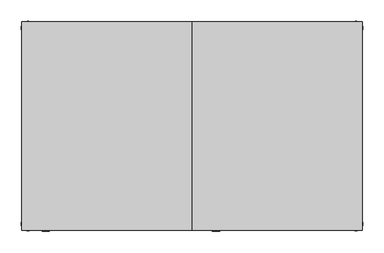
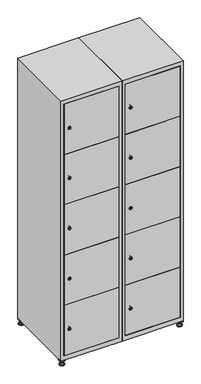
"""IFC4 building model written with IfcOpenShell, lengths in millimetres: furniture geometry."""

from ifc_helpers import new_model, si_unit, point, frame, frame_2d, origin, origin_with_axes, place, context, project, spatial, polyline, circle_curve, trimmed, segment, composite_curve, outline, extrude, faceted_brep, source, transform, mapped, element, save
from ifc_brep_helpers import plane_surface, revolved_surface, advanced_brep


def furniture_a9a9e612(model_context):
    return source(origin(), model_context, "Body", "SolidModel", [
        extrude(outline(polyline([(600.0, 245.0), (600.0, 215.0), (570.0, 215.0), (570.0, 245.0), (600.0, 245.0)]), holes=[polyline([(598.0, 243.0), (572.0, 243.0), (572.0, 217.0), (598.0, 217.0), (598.0, 243.0)])]), frame((0.0, 0.0, 28.5), z_axis=(0.0, 0.0, 1.0), x_axis=(1.0, 0.0, 0.0)), (0.0, 0.0, 1.0), 6.5),
        extrude(outline(polyline([(570.0, -245.0), (570.0, -215.0), (600.0, -215.0), (600.0, -245.0), (570.0, -245.0)]), holes=[polyline([(572.0, -243.0), (598.0, -243.0), (598.0, -217.0), (572.0, -217.0), (572.0, -243.0)])]), frame((0.0, 0.0, 28.5), z_axis=(0.0, 0.0, 1.0), x_axis=(1.0, 0.0, 0.0)), (0.0, 0.0, 1.0), 6.5),
        extrude(outline(polyline([(-170.0, 245.0), (-170.0, 215.0), (-200.0, 215.0), (-200.0, 245.0), (-170.0, 245.0)]), holes=[polyline([(-172.0, 243.0), (-198.0, 243.0), (-198.0, 217.0), (-172.0, 217.0), (-172.0, 243.0)])]), frame((0.0, 0.0, 28.5), z_axis=(0.0, 0.0, 1.0), x_axis=(1.0, 0.0, 0.0)), (0.0, 0.0, 1.0), 6.5),
        extrude(outline(polyline([(-170.0, -215.0), (-170.0, -245.0), (-200.0, -245.0), (-200.0, -215.0), (-170.0, -215.0)]), holes=[polyline([(-198.0, -243.0), (-172.0, -243.0), (-172.0, -217.0), (-198.0, -217.0), (-198.0, -243.0)])]), frame((0.0, 0.0, 28.5), z_axis=(0.0, 0.0, 1.0), x_axis=(1.0, 0.0, 0.0)), (0.0, 0.0, 1.0), 6.5),
        extrude(outline(composite_curve([segment(trimmed(circle_curve(frame_2d((-185.0, 230.0)), 5.0), [point((-180.0, 230.0))], [point((-190.0, 230.0))], False, "CARTESIAN"), True, "CONTINUOUS"), segment(trimmed(circle_curve(frame_2d((-185.0, 230.0)), 5.0), [point((-190.0, 230.0))], [point((-180.0, 230.0))], False, "CARTESIAN"), True, "CONTINUOUS")], self_intersect=False)), frame((0.0, 0.0, 19.6), z_axis=(0.0, 0.0, 1.0), x_axis=(1.0, 0.0, 0.0)), (0.0, 0.0, 1.0), 15.4),
        extrude(outline(composite_curve([segment(trimmed(circle_curve(frame_2d((-185.0, -230.0)), 5.0), [point((-180.0, -230.0))], [point((-190.0, -230.0))], False, "CARTESIAN"), True, "CONTINUOUS"), segment(trimmed(circle_curve(frame_2d((-185.0, -230.0)), 5.0), [point((-190.0, -230.0))], [point((-180.0, -230.0))], False, "CARTESIAN"), True, "CONTINUOUS")], self_intersect=False)), frame((0.0, 0.0, 19.6), z_axis=(0.0, 0.0, 1.0), x_axis=(1.0, 0.0, 0.0)), (0.0, 0.0, 1.0), 15.4),
        extrude(outline(composite_curve([segment(trimmed(circle_curve(frame_2d((585.0, 230.0)), 5.0), [point((590.0, 230.0))], [point((580.0, 230.0))], False, "CARTESIAN"), True, "CONTINUOUS"), segment(trimmed(circle_curve(frame_2d((585.0, 230.0)), 5.0), [point((580.0, 230.0))], [point((590.0, 230.0))], False, "CARTESIAN"), True, "CONTINUOUS")], self_intersect=False)), frame((0.0, 0.0, 19.6), z_axis=(0.0, 0.0, 1.0), x_axis=(1.0, 0.0, 0.0)), (0.0, 0.0, 1.0), 15.4),
        extrude(outline(polyline([(573.4529946, 230.0), (579.2264973, 240.0), (590.7735027, 240.0), (596.5470054, 230.0), (590.7735027, 220.0), (579.2264973, 220.0), (573.4529946, 230.0)])), frame((0.0, 0.0, 13.6), z_axis=(0.0, 0.0, 1.0), x_axis=(1.0, 0.0, 0.0)), (0.0, 0.0, 1.0), 6.0),
        extrude(outline(composite_curve([segment(trimmed(circle_curve(frame_2d((585.0, -230.0)), 5.0), [point((590.0, -230.0))], [point((580.0, -230.0))], False, "CARTESIAN"), True, "CONTINUOUS"), segment(trimmed(circle_curve(frame_2d((585.0, -230.0)), 5.0), [point((580.0, -230.0))], [point((590.0, -230.0))], False, "CARTESIAN"), True, "CONTINUOUS")], self_intersect=False)), frame((0.0, 0.0, 19.6), z_axis=(0.0, 0.0, 1.0), x_axis=(1.0, 0.0, 0.0)), (0.0, 0.0, 1.0), 15.4),
        extrude(outline(polyline([(573.4529946, -230.0), (579.2264973, -220.0), (590.7735027, -220.0), (596.5470054, -230.0), (590.7735027, -240.0), (579.2264973, -240.0), (573.4529946, -230.0)])), frame((0.0, 0.0, 13.6), z_axis=(0.0, 0.0, 1.0), x_axis=(1.0, 0.0, 0.0)), (0.0, 0.0, 1.0), 6.0),
        extrude(outline(composite_curve([segment(trimmed(circle_curve(frame_2d((585.0, 230.0)), 5.0), [point((590.0, 230.0))], [point((580.0, 230.0))], False, "CARTESIAN"), True, "CONTINUOUS"), segment(trimmed(circle_curve(frame_2d((585.0, 230.0)), 5.0), [point((580.0, 230.0))], [point((590.0, 230.0))], False, "CARTESIAN"), True, "CONTINUOUS")], self_intersect=False)), frame((0.0, 0.0, 12.1), z_axis=(0.0, 0.0, 1.0), x_axis=(1.0, 0.0, 0.0)), (0.0, 0.0, 1.0), 1.5),
        extrude(outline(composite_curve([segment(trimmed(circle_curve(frame_2d((585.0, -230.0)), 5.0), [point((590.0, -230.0))], [point((580.0, -230.0))], False, "CARTESIAN"), True, "CONTINUOUS"), segment(trimmed(circle_curve(frame_2d((585.0, -230.0)), 5.0), [point((580.0, -230.0))], [point((590.0, -230.0))], False, "CARTESIAN"), True, "CONTINUOUS")], self_intersect=False)), frame((0.0, 0.0, 12.1), z_axis=(0.0, 0.0, 1.0), x_axis=(1.0, 0.0, 0.0)), (0.0, 0.0, 1.0), 1.5),
        extrude(outline(polyline([(-196.5470054, 230.0), (-190.7735027, 240.0), (-179.2264973, 240.0), (-173.4529946, 230.0), (-179.2264973, 220.0), (-190.7735027, 220.0), (-196.5470054, 230.0)])), frame((0.0, 0.0, 13.6), z_axis=(0.0, 0.0, 1.0), x_axis=(1.0, 0.0, 0.0)), (0.0, 0.0, 1.0), 6.0),
        extrude(outline(polyline([(-196.5470054, -230.0), (-190.7735027, -220.0), (-179.2264973, -220.0), (-173.4529946, -230.0), (-179.2264973, -240.0), (-190.7735027, -240.0), (-196.5470054, -230.0)])), frame((0.0, 0.0, 13.6), z_axis=(0.0, 0.0, 1.0), x_axis=(1.0, 0.0, 0.0)), (0.0, 0.0, 1.0), 6.0),
        extrude(outline(composite_curve([segment(trimmed(circle_curve(frame_2d((-185.0, 230.0)), 5.0), [point((-185.0, 235.0))], [point((-185.0, 225.0))], False, "CARTESIAN"), True, "CONTINUOUS"), segment(trimmed(circle_curve(frame_2d((-185.0, 230.0)), 5.0), [point((-185.0, 225.0))], [point((-185.0, 235.0))], False, "CARTESIAN"), True, "CONTINUOUS")], self_intersect=False)), frame((0.0, 0.0, 12.1), z_axis=(0.0, 0.0, 1.0), x_axis=(1.0, 0.0, 0.0)), (0.0, 0.0, 1.0), 1.5),
        extrude(outline(composite_curve([segment(trimmed(circle_curve(frame_2d((-185.0, -230.0)), 5.0), [point((-180.0, -230.0))], [point((-190.0, -230.0))], False, "CARTESIAN"), True, "CONTINUOUS"), segment(trimmed(circle_curve(frame_2d((-185.0, -230.0)), 5.0), [point((-190.0, -230.0))], [point((-180.0, -230.0))], False, "CARTESIAN"), True, "CONTINUOUS")], self_intersect=False)), frame((0.0, 0.0, 12.1), z_axis=(0.0, 0.0, 1.0), x_axis=(1.0, 0.0, 0.0)), (0.0, 0.0, 1.0), 1.5),
        extrude(outline(composite_curve([segment(trimmed(circle_curve(frame_2d((585.0, 230.0)), 15.75), [point((600.75, 230.0))], [point((569.25, 230.0))], False, "CARTESIAN"), True, "CONTINUOUS"), segment(trimmed(circle_curve(frame_2d((585.0, 230.0)), 15.75), [point((569.25, 230.0))], [point((600.75, 230.0))], False, "CARTESIAN"), True, "CONTINUOUS")], self_intersect=False)), origin_with_axes(), (0.0, 0.0, 1.0), 5.1),
        extrude(outline(composite_curve([segment(trimmed(circle_curve(frame_2d((585.0, -230.0)), 15.75), [point((585.0, -214.25))], [point((585.0, -245.75))], False, "CARTESIAN"), True, "CONTINUOUS"), segment(trimmed(circle_curve(frame_2d((585.0, -230.0)), 15.75), [point((585.0, -245.75))], [point((585.0, -214.25))], False, "CARTESIAN"), True, "CONTINUOUS")], self_intersect=False)), origin_with_axes(), (0.0, 0.0, 1.0), 5.1),
        extrude(outline(composite_curve([segment(trimmed(circle_curve(frame_2d((-185.0, -230.0)), 15.75), [point((-169.25, -230.0))], [point((-200.75, -230.0))], False, "CARTESIAN"), True, "CONTINUOUS"), segment(trimmed(circle_curve(frame_2d((-185.0, -230.0)), 15.75), [point((-200.75, -230.0))], [point((-169.25, -230.0))], False, "CARTESIAN"), True, "CONTINUOUS")], self_intersect=False)), origin_with_axes(), (0.0, 0.0, 1.0), 5.1),
        extrude(outline(composite_curve([segment(trimmed(circle_curve(frame_2d((-185.0, 230.0)), 15.75), [point((-169.25, 230.0))], [point((-200.75, 230.0))], False, "CARTESIAN"), True, "CONTINUOUS"), segment(trimmed(circle_curve(frame_2d((-185.0, 230.0)), 15.75), [point((-200.75, 230.0))], [point((-169.25, 230.0))], False, "CARTESIAN"), True, "CONTINUOUS")], self_intersect=False)), origin_with_axes(), (0.0, 0.0, 1.0), 5.1),
        advanced_brep(
        [(-185.0, 245.75, 5.1), (-185.0, 214.25, 5.1), (-185.0, 239.5, 12.1), (-185.0, 220.5, 12.1)],
        [
            (0, 1, circle_curve(frame((-185.0, 230.0, 5.1), z_axis=(0.0, 0.0, -1.0), x_axis=(0.0, 1.0, 0.0)), 15.75)),
            (1, 0, circle_curve(frame((-185.0, 230.0, 5.1), z_axis=(0.0, 0.0, -1.0), x_axis=(0.0, -1.0, 0.0)), 15.75)),
            (2, 3, circle_curve(frame((-185.0, 230.0, 12.1), z_axis=(0.0, 0.0, 1.0), x_axis=(0.0, -1.0, 0.0)), 9.5)),
            (3, 2, circle_curve(frame((-185.0, 230.0, 12.1), z_axis=(0.0, 0.0, 1.0), x_axis=(0.0, 1.0, 0.0)), 9.5)),
            (3, 1),
            (0, 2),
        ],
        [
            plane_surface(frame((-185.0, 230.0, 5.1), z_axis=(0.0, 0.0, -1.0), x_axis=(1.0, 0.0, 0.0))),
            plane_surface(frame((-185.0, 230.0, 12.1), z_axis=(0.0, 0.0, 1.0), x_axis=(1.0, 0.0, 0.0))),
            revolved_surface(polyline([(-185.0, 220.5, 12.099999999999998), (-185.0, 214.25, 5.099999999999998)]), (-185.0, 230.0, 22.74), (0.0, 0.0, -1.0)),
            revolved_surface(polyline([(-185.0, 239.5, 12.099999999999998), (-185.0, 245.75, 5.099999999999998)]), (-185.0, 230.0, 22.74), (0.0, 0.0, -1.0)),
        ],
        [
            (0, [[1, 2]]),
            (1, [[3, 4]]),
            (2, [[-4, 5, -1, 6]]),
            (3, [[-3, -6, -2, -5]]),
        ],
    ),
        advanced_brep(
        [(585.0, 245.75, 5.1), (585.0, 214.25, 5.1), (585.0, 239.5, 12.1), (585.0, 220.5, 12.1)],
        [
            (0, 1, circle_curve(frame((585.0, 230.0, 5.1), z_axis=(0.0, 0.0, -1.0), x_axis=(0.0, 1.0, 0.0)), 15.75)),
            (1, 0, circle_curve(frame((585.0, 230.0, 5.1), z_axis=(0.0, 0.0, -1.0), x_axis=(0.0, -1.0, 0.0)), 15.75)),
            (2, 3, circle_curve(frame((585.0, 230.0, 12.1), z_axis=(0.0, 0.0, 1.0), x_axis=(0.0, -1.0, 0.0)), 9.5)),
            (3, 2, circle_curve(frame((585.0, 230.0, 12.1), z_axis=(0.0, 0.0, 1.0), x_axis=(0.0, 1.0, 0.0)), 9.5)),
            (3, 1),
            (0, 2),
        ],
        [
            plane_surface(frame((585.0, 230.0, 5.1), z_axis=(0.0, 0.0, -1.0), x_axis=(1.0, 0.0, 0.0))),
            plane_surface(frame((585.0, 230.0, 12.1), z_axis=(0.0, 0.0, 1.0), x_axis=(1.0, 0.0, 0.0))),
            revolved_surface(polyline([(585.0, 220.5, 12.099999999999998), (585.0, 214.25, 5.099999999999998)]), (585.0, 230.0, 22.74), (0.0, 0.0, -1.0)),
            revolved_surface(polyline([(585.0, 239.5, 12.099999999999998), (585.0, 245.75, 5.099999999999998)]), (585.0, 230.0, 22.74), (0.0, 0.0, -1.0)),
        ],
        [
            (0, [[1, 2]]),
            (1, [[3, 4]]),
            (2, [[-4, 5, -1, 6]]),
            (3, [[-3, -6, -2, -5]]),
        ],
    ),
        advanced_brep(
        [(594.5, -230.0, 12.1), (575.5, -230.0, 12.1), (600.75, -230.0, 5.1), (569.25, -230.0, 5.1)],
        [
            (0, 1, circle_curve(frame((585.0, -230.0, 12.1), z_axis=(0.0, 0.0, 1.0), x_axis=(1.0, 0.0, 0.0)), 9.5)),
            (1, 0, circle_curve(frame((585.0, -230.0, 12.1), z_axis=(0.0, 0.0, 1.0), x_axis=(-1.0, 0.0, 0.0)), 9.5)),
            (2, 3, circle_curve(frame((585.0, -230.0, 5.1), z_axis=(0.0, 0.0, -1.0), x_axis=(-1.0, 0.0, 0.0)), 15.75)),
            (3, 2, circle_curve(frame((585.0, -230.0, 5.1), z_axis=(0.0, 0.0, -1.0), x_axis=(1.0, 0.0, 0.0)), 15.75)),
            (3, 1),
            (0, 2),
        ],
        [
            plane_surface(frame((585.0, -230.0, 12.1), z_axis=(0.0, 0.0, 1.0), x_axis=(0.0, 1.0, 0.0))),
            plane_surface(frame((585.0, -230.0, 5.1), z_axis=(0.0, 0.0, -1.0), x_axis=(0.0, 1.0, 0.0))),
            revolved_surface(polyline([(594.5, -230.0, 12.099999999999998), (600.75, -230.0, 5.099999999999998)]), (585.0, -230.0, 22.74), (0.0, 0.0, -1.0)),
            revolved_surface(polyline([(575.5, -230.0, 12.099999999999998), (569.25, -230.0, 5.099999999999998)]), (585.0, -230.0, 22.74), (0.0, 0.0, -1.0)),
        ],
        [
            (0, [[1, 2]]),
            (1, [[3, 4]]),
            (2, [[-4, 5, -1, 6]]),
            (3, [[-3, -6, -2, -5]]),
        ],
    ),
        advanced_brep(
        [(-175.5, -230.0, 12.1), (-194.5, -230.0, 12.1), (-169.25, -230.0, 5.1), (-200.75, -230.0, 5.1)],
        [
            (0, 1, circle_curve(frame((-185.0, -230.0, 12.1), z_axis=(0.0, 0.0, 1.0), x_axis=(1.0, 0.0, 0.0)), 9.5)),
            (1, 0, circle_curve(frame((-185.0, -230.0, 12.1), z_axis=(0.0, 0.0, 1.0), x_axis=(-1.0, 0.0, 0.0)), 9.5)),
            (2, 3, circle_curve(frame((-185.0, -230.0, 5.1), z_axis=(0.0, 0.0, -1.0), x_axis=(-1.0, 0.0, 0.0)), 15.75)),
            (3, 2, circle_curve(frame((-185.0, -230.0, 5.1), z_axis=(0.0, 0.0, -1.0), x_axis=(1.0, 0.0, 0.0)), 15.75)),
            (3, 1),
            (0, 2),
        ],
        [
            plane_surface(frame((-185.0, -230.0, 12.1), z_axis=(0.0, 0.0, 1.0), x_axis=(0.0, 1.0, 0.0))),
            plane_surface(frame((-185.0, -230.0, 5.1), z_axis=(0.0, 0.0, -1.0), x_axis=(0.0, 1.0, 0.0))),
            revolved_surface(polyline([(-175.5, -230.0, 12.099999999999998), (-169.25, -230.0, 5.099999999999998)]), (-185.0, -230.0, 22.74), (0.0, 0.0, -1.0)),
            revolved_surface(polyline([(-194.5, -230.0, 12.099999999999998), (-200.75, -230.0, 5.099999999999998)]), (-185.0, -230.0, 22.74), (0.0, 0.0, -1.0)),
        ],
        [
            (0, [[1, 2]]),
            (1, [[3, 4]]),
            (2, [[-4, 5, -1, 6]]),
            (3, [[-3, -6, -2, -5]]),
        ],
    ),
        extrude(outline(composite_curve([segment(trimmed(circle_curve(frame_2d((239.96, 229.6010534)), 7.0), [point((246.96, 229.6010534))], [point((232.96, 229.6010534))], False, "CARTESIAN"), True, "CONTINUOUS"), segment(polyline([(232.96, 229.6010534), (232.96, 257.6010534)]), True, "CONTINUOUS"), segment(trimmed(circle_curve(frame_2d((239.96, 257.6010534)), 7.0), [point((232.96, 257.6010534))], [point((246.96, 257.6010534))], False, "CARTESIAN"), True, "CONTINUOUS"), segment(polyline([(246.96, 257.6010534), (246.96, 229.6010534)]), True, "CONTINUOUS")], self_intersect=False)), frame((0.0, -227.0, 0.0), z_axis=(0.0, 1.0, 0.0), x_axis=(0.0, 0.0, 1.0)), (0.0, 0.0, 1.0), 2.0),
        advanced_brep(
        [(264.9, -247.2, 239.96), (247.9, -247.2, 239.96), (251.4, -247.2, 238.71), (251.4, -247.2, 241.21), (261.4, -247.2, 241.21), (261.4, -247.2, 238.71), (266.9, -245.0, 239.96), (245.9, -245.0, 239.96), (251.4, -245.0, 241.21), (251.4, -245.0, 238.71), (261.4, -245.0, 238.71), (261.4, -245.0, 241.21)],
        [
            (0, 1, circle_curve(frame((256.4, -247.2, 239.96), z_axis=(0.0, -1.0, 0.0), x_axis=(1.0, 0.0, 0.0)), 8.5)),
            (1, 0, circle_curve(frame((256.4, -247.2, 239.96), z_axis=(0.0, -1.0, 0.0), x_axis=(-1.0, 0.0, 0.0)), 8.5)),
            (2, 3),
            (3, 4),
            (4, 5),
            (5, 2),
            (6, 7, circle_curve(frame((256.4, -245.0, 239.96), z_axis=(0.0, 1.0, 0.0), x_axis=(-1.0, 0.0, 0.0)), 10.5)),
            (7, 6, circle_curve(frame((256.4, -245.0, 239.96), z_axis=(0.0, 1.0, 0.0), x_axis=(1.0, 0.0, 0.0)), 10.5)),
            (8, 9),
            (9, 10),
            (10, 11),
            (11, 8),
            (0, 6),
            (7, 1),
            (8, 3),
            (2, 9),
            (11, 4),
            (10, 5),
        ],
        [
            plane_surface(frame((256.4, -247.2, 239.96), z_axis=(0.0, -1.0, 0.0), x_axis=(0.0, 0.0, 1.0))),
            plane_surface(frame((256.4, -245.0, 239.96), z_axis=(0.0, 1.0, 0.0), x_axis=(0.0, 0.0, 1.0))),
            revolved_surface(polyline([(264.9, -247.2, 239.96), (266.9, -245.0, 239.96)]), (256.4, -256.55, 239.96), (0.0, 1.0, 0.0)),
            revolved_surface(polyline([(247.89999999999998, -247.2, 239.96), (245.9, -245.0, 239.96)]), (256.4, -256.55, 239.96), (0.0, 1.0, 0.0)),
            plane_surface(frame((251.4, -245.0, 238.71), z_axis=(1.0, 0.0, 0.0), x_axis=(0.0, -1.0, 0.0))),
            plane_surface(frame((251.4, -245.0, 241.21), z_axis=(0.0, 0.0, -1.0), x_axis=(0.0, -1.0, 0.0))),
            plane_surface(frame((261.4, -245.0, 241.21), z_axis=(-1.0, 0.0, 0.0), x_axis=(0.0, -1.0, 0.0))),
            plane_surface(frame((261.4, -245.0, 238.71), z_axis=(0.0, 0.0, 1.0), x_axis=(0.0, -1.0, 0.0))),
        ],
        [
            (0, [[1, 2], [3, 4, 5, 6]]),
            (1, [[7, 8], [9, 10, 11, 12]]),
            (2, [[-1, 13, -8, 14]]),
            (3, [[-2, -14, -7, -13]]),
            (4, [[15, -3, 16, -9]]),
            (5, [[-15, -12, 17, -4]]),
            (6, [[-17, -11, 18, -5]]),
            (7, [[-16, -6, -18, -10]]),
        ],
    ),
        extrude(outline(composite_curve([segment(trimmed(circle_curve(frame_2d((587.48, 229.6010534)), 7.0), [point((594.48, 229.6010534))], [point((580.48, 229.6010534))], False, "CARTESIAN"), True, "CONTINUOUS"), segment(polyline([(580.48, 229.6010534), (580.48, 257.6010534)]), True, "CONTINUOUS"), segment(trimmed(circle_curve(frame_2d((587.48, 257.6010534)), 7.0), [point((580.48, 257.6010534))], [point((594.48, 257.6010534))], False, "CARTESIAN"), True, "CONTINUOUS"), segment(polyline([(594.48, 257.6010534), (594.48, 229.6010534)]), True, "CONTINUOUS")], self_intersect=False)), frame((0.0, -227.0, 0.0), z_axis=(0.0, 1.0, 0.0), x_axis=(0.0, 0.0, 1.0)), (0.0, 0.0, 1.0), 2.0),
        advanced_brep(
        [(264.9, -247.2, 587.48), (247.9, -247.2, 587.48), (251.4, -247.2, 586.23), (251.4, -247.2, 588.73), (261.4, -247.2, 588.73), (261.4, -247.2, 586.23), (266.9, -245.0, 587.48), (245.9, -245.0, 587.48), (251.4, -245.0, 588.73), (251.4, -245.0, 586.23), (261.4, -245.0, 586.23), (261.4, -245.0, 588.73)],
        [
            (0, 1, circle_curve(frame((256.4, -247.2, 587.48), z_axis=(0.0, -1.0, 0.0), x_axis=(1.0, 0.0, 0.0)), 8.5)),
            (1, 0, circle_curve(frame((256.4, -247.2, 587.48), z_axis=(0.0, -1.0, 0.0), x_axis=(-1.0, 0.0, 0.0)), 8.5)),
            (2, 3),
            (3, 4),
            (4, 5),
            (5, 2),
            (6, 7, circle_curve(frame((256.4, -245.0, 587.48), z_axis=(0.0, 1.0, 0.0), x_axis=(-1.0, 0.0, 0.0)), 10.5)),
            (7, 6, circle_curve(frame((256.4, -245.0, 587.48), z_axis=(0.0, 1.0, 0.0), x_axis=(1.0, 0.0, 0.0)), 10.5)),
            (8, 9),
            (9, 10),
            (10, 11),
            (11, 8),
            (0, 6),
            (7, 1),
            (8, 3),
            (2, 9),
            (11, 4),
            (10, 5),
        ],
        [
            plane_surface(frame((256.4, -247.2, 587.48), z_axis=(0.0, -1.0, 0.0), x_axis=(0.0, 0.0, 1.0))),
            plane_surface(frame((256.4, -245.0, 587.48), z_axis=(0.0, 1.0, 0.0), x_axis=(0.0, 0.0, 1.0))),
            revolved_surface(polyline([(264.9, -247.2, 587.48), (266.9, -245.0, 587.48)]), (256.4, -256.55, 587.48), (0.0, 1.0, 0.0)),
            revolved_surface(polyline([(247.89999999999998, -247.2, 587.48), (245.9, -245.0, 587.48)]), (256.4, -256.55, 587.48), (0.0, 1.0, 0.0)),
            plane_surface(frame((251.4, -245.0, 586.23), z_axis=(1.0, 0.0, 0.0), x_axis=(0.0, -1.0, 0.0))),
            plane_surface(frame((251.4, -245.0, 588.73), z_axis=(0.0, 0.0, -1.0), x_axis=(0.0, -1.0, 0.0))),
            plane_surface(frame((261.4, -245.0, 588.73), z_axis=(-1.0, 0.0, 0.0), x_axis=(0.0, -1.0, 0.0))),
            plane_surface(frame((261.4, -245.0, 586.23), z_axis=(0.0, 0.0, 1.0), x_axis=(0.0, -1.0, 0.0))),
        ],
        [
            (0, [[1, 2], [3, 4, 5, 6]]),
            (1, [[7, 8], [9, 10, 11, 12]]),
            (2, [[-1, 13, -8, 14]]),
            (3, [[-2, -14, -7, -13]]),
            (4, [[15, -3, 16, -9]]),
            (5, [[-15, -12, 17, -4]]),
            (6, [[-17, -11, 18, -5]]),
            (7, [[-16, -6, -18, -10]]),
        ],
    ),
        extrude(outline(composite_curve([segment(trimmed(circle_curve(frame_2d((935.0, 229.6010534)), 7.0), [point((942.0, 229.6010534))], [point((928.0, 229.6010534))], False, "CARTESIAN"), True, "CONTINUOUS"), segment(polyline([(928.0, 229.6010534), (928.0, 257.6010534)]), True, "CONTINUOUS"), segment(trimmed(circle_curve(frame_2d((935.0, 257.6010534)), 7.0), [point((928.0, 257.6010534))], [point((942.0, 257.6010534))], False, "CARTESIAN"), True, "CONTINUOUS"), segment(polyline([(942.0, 257.6010534), (942.0, 229.6010534)]), True, "CONTINUOUS")], self_intersect=False)), frame((0.0, -227.0, 0.0), z_axis=(0.0, 1.0, 0.0), x_axis=(0.0, 0.0, 1.0)), (0.0, 0.0, 1.0), 2.0),
        advanced_brep(
        [(264.9, -247.2, 935.0), (247.9, -247.2, 935.0), (251.4, -247.2, 933.75), (251.4, -247.2, 936.25), (261.4, -247.2, 936.25), (261.4, -247.2, 933.75), (266.9, -245.0, 935.0), (245.9, -245.0, 935.0), (251.4, -245.0, 936.25), (251.4, -245.0, 933.75), (261.4, -245.0, 933.75), (261.4, -245.0, 936.25)],
        [
            (0, 1, circle_curve(frame((256.4, -247.2, 935.0), z_axis=(0.0, -1.0, 0.0), x_axis=(1.0, 0.0, 0.0)), 8.5)),
            (1, 0, circle_curve(frame((256.4, -247.2, 935.0), z_axis=(0.0, -1.0, 0.0), x_axis=(-1.0, 0.0, 0.0)), 8.5)),
            (2, 3),
            (3, 4),
            (4, 5),
            (5, 2),
            (6, 7, circle_curve(frame((256.4, -245.0, 935.0), z_axis=(0.0, 1.0, 0.0), x_axis=(-1.0, 0.0, 0.0)), 10.5)),
            (7, 6, circle_curve(frame((256.4, -245.0, 935.0), z_axis=(0.0, 1.0, 0.0), x_axis=(1.0, 0.0, 0.0)), 10.5)),
            (8, 9),
            (9, 10),
            (10, 11),
            (11, 8),
            (0, 6),
            (7, 1),
            (8, 3),
            (2, 9),
            (11, 4),
            (10, 5),
        ],
        [
            plane_surface(frame((256.4, -247.2, 935.0), z_axis=(0.0, -1.0, 0.0), x_axis=(0.0, 0.0, 1.0))),
            plane_surface(frame((256.4, -245.0, 935.0), z_axis=(0.0, 1.0, 0.0), x_axis=(0.0, 0.0, 1.0))),
            revolved_surface(polyline([(264.9, -247.2, 935.0), (266.9, -245.0, 935.0)]), (256.4, -256.55, 935.0), (0.0, 1.0, 0.0)),
            revolved_surface(polyline([(247.89999999999998, -247.2, 935.0), (245.9, -245.0, 935.0)]), (256.4, -256.55, 935.0), (0.0, 1.0, 0.0)),
            plane_surface(frame((251.4, -245.0, 933.75), z_axis=(1.0, 0.0, 0.0), x_axis=(0.0, -1.0, 0.0))),
            plane_surface(frame((251.4, -245.0, 936.25), z_axis=(0.0, 0.0, -1.0), x_axis=(0.0, -1.0, 0.0))),
            plane_surface(frame((261.4, -245.0, 936.25), z_axis=(-1.0, 0.0, 0.0), x_axis=(0.0, -1.0, 0.0))),
            plane_surface(frame((261.4, -245.0, 933.75), z_axis=(0.0, 0.0, 1.0), x_axis=(0.0, -1.0, 0.0))),
        ],
        [
            (0, [[1, 2], [3, 4, 5, 6]]),
            (1, [[7, 8], [9, 10, 11, 12]]),
            (2, [[-1, 13, -8, 14]]),
            (3, [[-2, -14, -7, -13]]),
            (4, [[15, -3, 16, -9]]),
            (5, [[-15, -12, 17, -4]]),
            (6, [[-17, -11, 18, -5]]),
            (7, [[-16, -6, -18, -10]]),
        ],
    ),
        extrude(outline(composite_curve([segment(trimmed(circle_curve(frame_2d((1282.52, 229.6010534)), 7.0), [point((1289.52, 229.6010534))], [point((1275.52, 229.6010534))], False, "CARTESIAN"), True, "CONTINUOUS"), segment(polyline([(1275.52, 229.6010534), (1275.52, 257.6010534)]), True, "CONTINUOUS"), segment(trimmed(circle_curve(frame_2d((1282.52, 257.6010534)), 7.0), [point((1275.52, 257.6010534))], [point((1289.52, 257.6010534))], False, "CARTESIAN"), True, "CONTINUOUS"), segment(polyline([(1289.52, 257.6010534), (1289.52, 229.6010534)]), True, "CONTINUOUS")], self_intersect=False)), frame((0.0, -227.0, 0.0), z_axis=(0.0, 1.0, 0.0), x_axis=(0.0, 0.0, 1.0)), (0.0, 0.0, 1.0), 2.0),
        advanced_brep(
        [(264.9, -247.2, 1282.52), (247.9, -247.2, 1282.52), (251.4, -247.2, 1281.27), (251.4, -247.2, 1283.77), (261.4, -247.2, 1283.77), (261.4, -247.2, 1281.27), (266.9, -245.0, 1282.52), (245.9, -245.0, 1282.52), (251.4, -245.0, 1283.77), (251.4, -245.0, 1281.27), (261.4, -245.0, 1281.27), (261.4, -245.0, 1283.77)],
        [
            (0, 1, circle_curve(frame((256.4, -247.2, 1282.52), z_axis=(0.0, -1.0, 0.0), x_axis=(1.0, 0.0, 0.0)), 8.5)),
            (1, 0, circle_curve(frame((256.4, -247.2, 1282.52), z_axis=(0.0, -1.0, 0.0), x_axis=(-1.0, 0.0, 0.0)), 8.5)),
            (2, 3),
            (3, 4),
            (4, 5),
            (5, 2),
            (6, 7, circle_curve(frame((256.4, -245.0, 1282.52), z_axis=(0.0, 1.0, 0.0), x_axis=(-1.0, 0.0, 0.0)), 10.5)),
            (7, 6, circle_curve(frame((256.4, -245.0, 1282.52), z_axis=(0.0, 1.0, 0.0), x_axis=(1.0, 0.0, 0.0)), 10.5)),
            (8, 9),
            (9, 10),
            (10, 11),
            (11, 8),
            (0, 6),
            (7, 1),
            (8, 3),
            (2, 9),
            (11, 4),
            (10, 5),
        ],
        [
            plane_surface(frame((256.4, -247.2, 1282.52), z_axis=(0.0, -1.0, 0.0), x_axis=(0.0, 0.0, 1.0))),
            plane_surface(frame((256.4, -245.0, 1282.52), z_axis=(0.0, 1.0, 0.0), x_axis=(0.0, 0.0, 1.0))),
            revolved_surface(polyline([(264.9, -247.2, 1282.52), (266.9, -245.0, 1282.52)]), (256.4, -256.55, 1282.52), (0.0, 1.0, 0.0)),
            revolved_surface(polyline([(247.89999999999998, -247.2, 1282.52), (245.9, -245.0, 1282.52)]), (256.4, -256.55, 1282.52), (0.0, 1.0, 0.0)),
            plane_surface(frame((251.4, -245.0, 1281.27), z_axis=(1.0, 0.0, 0.0), x_axis=(0.0, -1.0, 0.0))),
            plane_surface(frame((251.4, -245.0, 1283.77), z_axis=(0.0, 0.0, -1.0), x_axis=(0.0, -1.0, 0.0))),
            plane_surface(frame((261.4, -245.0, 1283.77), z_axis=(-1.0, 0.0, 0.0), x_axis=(0.0, -1.0, 0.0))),
            plane_surface(frame((261.4, -245.0, 1281.27), z_axis=(0.0, 0.0, 1.0), x_axis=(0.0, -1.0, 0.0))),
        ],
        [
            (0, [[1, 2], [3, 4, 5, 6]]),
            (1, [[7, 8], [9, 10, 11, 12]]),
            (2, [[-1, 13, -8, 14]]),
            (3, [[-2, -14, -7, -13]]),
            (4, [[15, -3, 16, -9]]),
            (5, [[-15, -12, 17, -4]]),
            (6, [[-17, -11, 18, -5]]),
            (7, [[-16, -6, -18, -10]]),
        ],
    ),
        extrude(outline(composite_curve([segment(trimmed(circle_curve(frame_2d((1630.04, 229.6010534)), 7.0), [point((1637.04, 229.6010534))], [point((1623.04, 229.6010534))], False, "CARTESIAN"), True, "CONTINUOUS"), segment(polyline([(1623.04, 229.6010534), (1623.04, 257.6010534)]), True, "CONTINUOUS"), segment(trimmed(circle_curve(frame_2d((1630.04, 257.6010534)), 7.0), [point((1623.04, 257.6010534))], [point((1637.04, 257.6010534))], False, "CARTESIAN"), True, "CONTINUOUS"), segment(polyline([(1637.04, 257.6010534), (1637.04, 229.6010534)]), True, "CONTINUOUS")], self_intersect=False)), frame((0.0, -227.0, 0.0), z_axis=(0.0, 1.0, 0.0), x_axis=(0.0, 0.0, 1.0)), (0.0, 0.0, 1.0), 2.0),
        advanced_brep(
        [(264.9, -247.2, 1630.04), (247.9, -247.2, 1630.04), (251.4, -247.2, 1628.79), (251.4, -247.2, 1631.29), (261.4, -247.2, 1631.29), (261.4, -247.2, 1628.79), (266.9, -245.0, 1630.04), (245.9, -245.0, 1630.04), (251.4, -245.0, 1631.29), (251.4, -245.0, 1628.79), (261.4, -245.0, 1628.79), (261.4, -245.0, 1631.29)],
        [
            (0, 1, circle_curve(frame((256.4, -247.2, 1630.04), z_axis=(0.0, -1.0, 0.0), x_axis=(1.0, 0.0, 0.0)), 8.5)),
            (1, 0, circle_curve(frame((256.4, -247.2, 1630.04), z_axis=(0.0, -1.0, 0.0), x_axis=(-1.0, 0.0, 0.0)), 8.5)),
            (2, 3),
            (3, 4),
            (4, 5),
            (5, 2),
            (6, 7, circle_curve(frame((256.4, -245.0, 1630.04), z_axis=(0.0, 1.0, 0.0), x_axis=(-1.0, 0.0, 0.0)), 10.5)),
            (7, 6, circle_curve(frame((256.4, -245.0, 1630.04), z_axis=(0.0, 1.0, 0.0), x_axis=(1.0, 0.0, 0.0)), 10.5)),
            (8, 9),
            (9, 10),
            (10, 11),
            (11, 8),
            (0, 6),
            (7, 1),
            (8, 3),
            (2, 9),
            (11, 4),
            (10, 5),
        ],
        [
            plane_surface(frame((256.4, -247.2, 1630.04), z_axis=(0.0, -1.0, 0.0), x_axis=(0.0, 0.0, 1.0))),
            plane_surface(frame((256.4, -245.0, 1630.04), z_axis=(0.0, 1.0, 0.0), x_axis=(0.0, 0.0, 1.0))),
            revolved_surface(polyline([(264.9, -247.2, 1630.04), (266.9, -245.0, 1630.04)]), (256.4, -256.55, 1630.04), (0.0, 1.0, 0.0)),
            revolved_surface(polyline([(247.89999999999998, -247.2, 1630.04), (245.9, -245.0, 1630.04)]), (256.4, -256.55, 1630.04), (0.0, 1.0, 0.0)),
            plane_surface(frame((251.4, -245.0, 1628.79), z_axis=(1.0, 0.0, 0.0), x_axis=(0.0, -1.0, 0.0))),
            plane_surface(frame((251.4, -245.0, 1631.29), z_axis=(0.0, 0.0, -1.0), x_axis=(0.0, -1.0, 0.0))),
            plane_surface(frame((261.4, -245.0, 1631.29), z_axis=(-1.0, 0.0, 0.0), x_axis=(0.0, -1.0, 0.0))),
            plane_surface(frame((261.4, -245.0, 1628.79), z_axis=(0.0, 0.0, 1.0), x_axis=(0.0, -1.0, 0.0))),
        ],
        [
            (0, [[1, 2], [3, 4, 5, 6]]),
            (1, [[7, 8], [9, 10, 11, 12]]),
            (2, [[-1, 13, -8, 14]]),
            (3, [[-2, -14, -7, -13]]),
            (4, [[15, -3, 16, -9]]),
            (5, [[-15, -12, 17, -4]]),
            (6, [[-17, -11, 18, -5]]),
            (7, [[-16, -6, -18, -10]]),
        ],
    ),
        extrude(outline(polyline([(578.6, -227.0), (578.6, -245.0), (221.4, -245.0), (221.4, -227.0), (578.6, -227.0)])), frame((0.0, 0.0, 760.74), z_axis=(0.0, 0.0, 1.0), x_axis=(1.0, 0.0, 0.0)), (0.0, 0.0, 1.0), 348.52),
        extrude(outline(polyline([(578.6, -227.0), (578.6, -245.0), (221.4, -245.0), (221.4, -227.0), (578.6, -227.0)])), frame((0.0, 0.0, 413.22), z_axis=(0.0, 0.0, 1.0), x_axis=(1.0, 0.0, 0.0)), (0.0, 0.0, 1.0), 348.52),
        extrude(outline(polyline([(578.6, -227.0), (578.6, -245.0), (221.4, -245.0), (221.4, -227.0), (578.6, -227.0)])), frame((0.0, 0.0, 1108.26), z_axis=(0.0, 0.0, 1.0), x_axis=(1.0, 0.0, 0.0)), (0.0, 0.0, 1.0), 347.52),
        extrude(outline(polyline([(221.4, -245.0), (221.4, -227.0), (578.6, -227.0), (578.6, -245.0), (221.4, -245.0)])), frame((0.0, 0.0, 1456.78), z_axis=(0.0, 0.0, 1.0), x_axis=(1.0, 0.0, 0.0)), (0.0, 0.0, 1.0), 347.02),
        extrude(outline(polyline([(578.6, -227.0), (578.6, -245.0), (221.4, -245.0), (221.4, -227.0), (578.6, -227.0)])), frame((0.0, 0.0, 66.2), z_axis=(0.0, 0.0, 1.0), x_axis=(1.0, 0.0, 0.0)), (0.0, 0.0, 1.0), 348.02),
        extrude(outline(polyline([(579.6, 242.0), (579.6, -227.0), (220.4, -227.0), (220.4, 242.0), (579.6, 242.0)])), frame((0.0, 0.0, 1446.68), z_axis=(0.0, 0.0, 1.0), x_axis=(1.0, 0.0, 0.0)), (0.0, 0.0, 1.0), 20.4),
        extrude(outline(polyline([(579.6, 242.0), (579.6, -227.0), (220.4, -227.0), (220.4, 242.0), (579.6, 242.0)])), frame((0.0, 0.0, 1098.76), z_axis=(0.0, 0.0, 1.0), x_axis=(1.0, 0.0, 0.0)), (0.0, 0.0, 1.0), 20.4),
        extrude(outline(polyline([(579.6, 242.0), (579.6, -227.0), (220.4, -227.0), (220.4, 242.0), (579.6, 242.0)])), frame((0.0, 0.0, 750.84), z_axis=(0.0, 0.0, 1.0), x_axis=(1.0, 0.0, 0.0)), (0.0, 0.0, 1.0), 20.4),
        extrude(outline(polyline([(220.4, 242.0), (579.6, 242.0), (579.6, -227.0), (220.4, -227.0), (220.4, 242.0)])), frame((0.0, 0.0, 402.92), z_axis=(0.0, 0.0, 1.0), x_axis=(1.0, 0.0, 0.0)), (0.0, 0.0, 1.0), 20.4),
        faceted_brep([(600.0, -245.0, 35.0), (600.0, -245.0, 1835.0), (200.0, -245.0, 1835.0), (200.0, -245.0, 35.0), (579.6, -245.0, 1804.8), (579.6, -245.0, 65.2), (220.4, -245.0, 65.2), (220.4, -245.0, 1804.8), (600.0, 245.0, 35.0), (200.0, 245.0, 35.0), (600.0, 245.0, 1835.0), (200.0, 245.0, 1835.0), (579.6, 242.0, 1804.8), (579.6, 242.0, 65.2), (200.0, 245.0, 1804.8), (220.4, 242.0, 1804.8), (220.4, 242.0, 65.2)], [[[0, 1, 2, 3], [4, 5, 6, 7]], [[8, 0, 3, 9]], [[1, 0, 8, 10]], [[1, 10, 11, 2]], [[4, 12, 13, 5]], [[9, 3, 2, 11, 14]], [[10, 8, 9, 14, 11]], [[12, 15, 16, 13]], [[15, 7, 6, 16]], [[4, 7, 15, 12]], [[6, 5, 13, 16]]]),
        extrude(outline(composite_curve([segment(trimmed(circle_curve(frame_2d((239.96, -170.3989466)), 7.0), [point((246.96, -170.3989466))], [point((232.96, -170.3989466))], False, "CARTESIAN"), True, "CONTINUOUS"), segment(polyline([(232.96, -170.3989466), (232.96, -142.3989466)]), True, "CONTINUOUS"), segment(trimmed(circle_curve(frame_2d((239.96, -142.3989466)), 7.0), [point((232.96, -142.3989466))], [point((246.96, -142.3989466))], False, "CARTESIAN"), True, "CONTINUOUS"), segment(polyline([(246.96, -142.3989466), (246.96, -170.3989466)]), True, "CONTINUOUS")], self_intersect=False)), frame((0.0, -227.0, 0.0), z_axis=(0.0, 1.0, 0.0), x_axis=(0.0, 0.0, 1.0)), (0.0, 0.0, 1.0), 2.0),
        advanced_brep(
        [(-135.1, -247.2, 239.96), (-152.1, -247.2, 239.96), (-148.6, -247.2, 238.71), (-148.6, -247.2, 241.21), (-138.6, -247.2, 241.21), (-138.6, -247.2, 238.71), (-133.1, -245.0, 239.96), (-154.1, -245.0, 239.96), (-148.6, -245.0, 241.21), (-148.6, -245.0, 238.71), (-138.6, -245.0, 238.71), (-138.6, -245.0, 241.21)],
        [
            (0, 1, circle_curve(frame((-143.6, -247.2, 239.96), z_axis=(0.0, -1.0, 0.0), x_axis=(1.0, 0.0, 0.0)), 8.5)),
            (1, 0, circle_curve(frame((-143.6, -247.2, 239.96), z_axis=(0.0, -1.0, 0.0), x_axis=(-1.0, 0.0, 0.0)), 8.5)),
            (2, 3),
            (3, 4),
            (4, 5),
            (5, 2),
            (6, 7, circle_curve(frame((-143.6, -245.0, 239.96), z_axis=(0.0, 1.0, 0.0), x_axis=(-1.0, 0.0, 0.0)), 10.5)),
            (7, 6, circle_curve(frame((-143.6, -245.0, 239.96), z_axis=(0.0, 1.0, 0.0), x_axis=(1.0, 0.0, 0.0)), 10.5)),
            (8, 9),
            (9, 10),
            (10, 11),
            (11, 8),
            (0, 6),
            (7, 1),
            (8, 3),
            (2, 9),
            (11, 4),
            (10, 5),
        ],
        [
            plane_surface(frame((-143.6, -247.2, 239.96), z_axis=(0.0, -1.0, 0.0), x_axis=(0.0, 0.0, 1.0))),
            plane_surface(frame((-143.6, -245.0, 239.96), z_axis=(0.0, 1.0, 0.0), x_axis=(0.0, 0.0, 1.0))),
            revolved_surface(polyline([(-135.1, -247.2, 239.96), (-133.1, -245.0, 239.96)]), (-143.6, -256.55, 239.96), (0.0, 1.0, 0.0)),
            revolved_surface(polyline([(-152.1, -247.2, 239.96), (-154.1, -245.0, 239.96)]), (-143.6, -256.55, 239.96), (0.0, 1.0, 0.0)),
            plane_surface(frame((-148.6, -245.0, 238.71), z_axis=(1.0, 0.0, 0.0), x_axis=(0.0, -1.0, 0.0))),
            plane_surface(frame((-148.6, -245.0, 241.21), z_axis=(0.0, 0.0, -1.0), x_axis=(0.0, -1.0, 0.0))),
            plane_surface(frame((-138.6, -245.0, 241.21), z_axis=(-1.0, 0.0, 0.0), x_axis=(0.0, -1.0, 0.0))),
            plane_surface(frame((-138.6, -245.0, 238.71), z_axis=(0.0, 0.0, 1.0), x_axis=(0.0, -1.0, 0.0))),
        ],
        [
            (0, [[1, 2], [3, 4, 5, 6]]),
            (1, [[7, 8], [9, 10, 11, 12]]),
            (2, [[-1, 13, -8, 14]]),
            (3, [[-2, -14, -7, -13]]),
            (4, [[15, -3, 16, -9]]),
            (5, [[-15, -12, 17, -4]]),
            (6, [[-17, -11, 18, -5]]),
            (7, [[-16, -6, -18, -10]]),
        ],
    ),
        extrude(outline(composite_curve([segment(trimmed(circle_curve(frame_2d((587.48, -170.3989466)), 7.0), [point((594.48, -170.3989466))], [point((580.48, -170.3989466))], False, "CARTESIAN"), True, "CONTINUOUS"), segment(polyline([(580.48, -170.3989466), (580.48, -142.3989466)]), True, "CONTINUOUS"), segment(trimmed(circle_curve(frame_2d((587.48, -142.3989466)), 7.0), [point((580.48, -142.3989466))], [point((594.48, -142.3989466))], False, "CARTESIAN"), True, "CONTINUOUS"), segment(polyline([(594.48, -142.3989466), (594.48, -170.3989466)]), True, "CONTINUOUS")], self_intersect=False)), frame((0.0, -227.0, 0.0), z_axis=(0.0, 1.0, 0.0), x_axis=(0.0, 0.0, 1.0)), (0.0, 0.0, 1.0), 2.0),
        advanced_brep(
        [(-135.1, -247.2, 587.48), (-152.1, -247.2, 587.48), (-148.6, -247.2, 586.23), (-148.6, -247.2, 588.73), (-138.6, -247.2, 588.73), (-138.6, -247.2, 586.23), (-133.1, -245.0, 587.48), (-154.1, -245.0, 587.48), (-148.6, -245.0, 588.73), (-148.6, -245.0, 586.23), (-138.6, -245.0, 586.23), (-138.6, -245.0, 588.73)],
        [
            (0, 1, circle_curve(frame((-143.6, -247.2, 587.48), z_axis=(0.0, -1.0, 0.0), x_axis=(1.0, 0.0, 0.0)), 8.5)),
            (1, 0, circle_curve(frame((-143.6, -247.2, 587.48), z_axis=(0.0, -1.0, 0.0), x_axis=(-1.0, 0.0, 0.0)), 8.5)),
            (2, 3),
            (3, 4),
            (4, 5),
            (5, 2),
            (6, 7, circle_curve(frame((-143.6, -245.0, 587.48), z_axis=(0.0, 1.0, 0.0), x_axis=(-1.0, 0.0, 0.0)), 10.5)),
            (7, 6, circle_curve(frame((-143.6, -245.0, 587.48), z_axis=(0.0, 1.0, 0.0), x_axis=(1.0, 0.0, 0.0)), 10.5)),
            (8, 9),
            (9, 10),
            (10, 11),
            (11, 8),
            (0, 6),
            (7, 1),
            (8, 3),
            (2, 9),
            (11, 4),
            (10, 5),
        ],
        [
            plane_surface(frame((-143.6, -247.2, 587.48), z_axis=(0.0, -1.0, 0.0), x_axis=(0.0, 0.0, 1.0))),
            plane_surface(frame((-143.6, -245.0, 587.48), z_axis=(0.0, 1.0, 0.0), x_axis=(0.0, 0.0, 1.0))),
            revolved_surface(polyline([(-135.1, -247.2, 587.48), (-133.1, -245.0, 587.48)]), (-143.6, -256.55, 587.48), (0.0, 1.0, 0.0)),
            revolved_surface(polyline([(-152.1, -247.2, 587.48), (-154.1, -245.0, 587.48)]), (-143.6, -256.55, 587.48), (0.0, 1.0, 0.0)),
            plane_surface(frame((-148.6, -245.0, 586.23), z_axis=(1.0, 0.0, 0.0), x_axis=(0.0, -1.0, 0.0))),
            plane_surface(frame((-148.6, -245.0, 588.73), z_axis=(0.0, 0.0, -1.0), x_axis=(0.0, -1.0, 0.0))),
            plane_surface(frame((-138.6, -245.0, 588.73), z_axis=(-1.0, 0.0, 0.0), x_axis=(0.0, -1.0, 0.0))),
            plane_surface(frame((-138.6, -245.0, 586.23), z_axis=(0.0, 0.0, 1.0), x_axis=(0.0, -1.0, 0.0))),
        ],
        [
            (0, [[1, 2], [3, 4, 5, 6]]),
            (1, [[7, 8], [9, 10, 11, 12]]),
            (2, [[-1, 13, -8, 14]]),
            (3, [[-2, -14, -7, -13]]),
            (4, [[15, -3, 16, -9]]),
            (5, [[-15, -12, 17, -4]]),
            (6, [[-17, -11, 18, -5]]),
            (7, [[-16, -6, -18, -10]]),
        ],
    ),
        extrude(outline(composite_curve([segment(trimmed(circle_curve(frame_2d((935.0, -170.3989466)), 7.0), [point((942.0, -170.3989466))], [point((928.0, -170.3989466))], False, "CARTESIAN"), True, "CONTINUOUS"), segment(polyline([(928.0, -170.3989466), (928.0, -142.3989466)]), True, "CONTINUOUS"), segment(trimmed(circle_curve(frame_2d((935.0, -142.3989466)), 7.0), [point((928.0, -142.3989466))], [point((942.0, -142.3989466))], False, "CARTESIAN"), True, "CONTINUOUS"), segment(polyline([(942.0, -142.3989466), (942.0, -170.3989466)]), True, "CONTINUOUS")], self_intersect=False)), frame((0.0, -227.0, 0.0), z_axis=(0.0, 1.0, 0.0), x_axis=(0.0, 0.0, 1.0)), (0.0, 0.0, 1.0), 2.0),
        advanced_brep(
        [(-135.1, -247.2, 935.0), (-152.1, -247.2, 935.0), (-148.6, -247.2, 933.75), (-148.6, -247.2, 936.25), (-138.6, -247.2, 936.25), (-138.6, -247.2, 933.75), (-133.1, -245.0, 935.0), (-154.1, -245.0, 935.0), (-148.6, -245.0, 936.25), (-148.6, -245.0, 933.75), (-138.6, -245.0, 933.75), (-138.6, -245.0, 936.25)],
        [
            (0, 1, circle_curve(frame((-143.6, -247.2, 935.0), z_axis=(0.0, -1.0, 0.0), x_axis=(1.0, 0.0, 0.0)), 8.5)),
            (1, 0, circle_curve(frame((-143.6, -247.2, 935.0), z_axis=(0.0, -1.0, 0.0), x_axis=(-1.0, 0.0, 0.0)), 8.5)),
            (2, 3),
            (3, 4),
            (4, 5),
            (5, 2),
            (6, 7, circle_curve(frame((-143.6, -245.0, 935.0), z_axis=(0.0, 1.0, 0.0), x_axis=(-1.0, 0.0, 0.0)), 10.5)),
            (7, 6, circle_curve(frame((-143.6, -245.0, 935.0), z_axis=(0.0, 1.0, 0.0), x_axis=(1.0, 0.0, 0.0)), 10.5)),
            (8, 9),
            (9, 10),
            (10, 11),
            (11, 8),
            (0, 6),
            (7, 1),
            (8, 3),
            (2, 9),
            (11, 4),
            (10, 5),
        ],
        [
            plane_surface(frame((-143.6, -247.2, 935.0), z_axis=(0.0, -1.0, 0.0), x_axis=(0.0, 0.0, 1.0))),
            plane_surface(frame((-143.6, -245.0, 935.0), z_axis=(0.0, 1.0, 0.0), x_axis=(0.0, 0.0, 1.0))),
            revolved_surface(polyline([(-135.1, -247.2, 935.0), (-133.1, -245.0, 935.0)]), (-143.6, -256.55, 935.0), (0.0, 1.0, 0.0)),
            revolved_surface(polyline([(-152.1, -247.2, 935.0), (-154.1, -245.0, 935.0)]), (-143.6, -256.55, 935.0), (0.0, 1.0, 0.0)),
            plane_surface(frame((-148.6, -245.0, 933.75), z_axis=(1.0, 0.0, 0.0), x_axis=(0.0, -1.0, 0.0))),
            plane_surface(frame((-148.6, -245.0, 936.25), z_axis=(0.0, 0.0, -1.0), x_axis=(0.0, -1.0, 0.0))),
            plane_surface(frame((-138.6, -245.0, 936.25), z_axis=(-1.0, 0.0, 0.0), x_axis=(0.0, -1.0, 0.0))),
            plane_surface(frame((-138.6, -245.0, 933.75), z_axis=(0.0, 0.0, 1.0), x_axis=(0.0, -1.0, 0.0))),
        ],
        [
            (0, [[1, 2], [3, 4, 5, 6]]),
            (1, [[7, 8], [9, 10, 11, 12]]),
            (2, [[-1, 13, -8, 14]]),
            (3, [[-2, -14, -7, -13]]),
            (4, [[15, -3, 16, -9]]),
            (5, [[-15, -12, 17, -4]]),
            (6, [[-17, -11, 18, -5]]),
            (7, [[-16, -6, -18, -10]]),
        ],
    ),
        extrude(outline(composite_curve([segment(trimmed(circle_curve(frame_2d((1282.52, -170.3989466)), 7.0), [point((1289.52, -170.3989466))], [point((1275.52, -170.3989466))], False, "CARTESIAN"), True, "CONTINUOUS"), segment(polyline([(1275.52, -170.3989466), (1275.52, -142.3989466)]), True, "CONTINUOUS"), segment(trimmed(circle_curve(frame_2d((1282.52, -142.3989466)), 7.0), [point((1275.52, -142.3989466))], [point((1289.52, -142.3989466))], False, "CARTESIAN"), True, "CONTINUOUS"), segment(polyline([(1289.52, -142.3989466), (1289.52, -170.3989466)]), True, "CONTINUOUS")], self_intersect=False)), frame((0.0, -227.0, 0.0), z_axis=(0.0, 1.0, 0.0), x_axis=(0.0, 0.0, 1.0)), (0.0, 0.0, 1.0), 2.0),
        advanced_brep(
        [(-135.1, -247.2, 1282.52), (-152.1, -247.2, 1282.52), (-148.6, -247.2, 1281.27), (-148.6, -247.2, 1283.77), (-138.6, -247.2, 1283.77), (-138.6, -247.2, 1281.27), (-133.1, -245.0, 1282.52), (-154.1, -245.0, 1282.52), (-148.6, -245.0, 1283.77), (-148.6, -245.0, 1281.27), (-138.6, -245.0, 1281.27), (-138.6, -245.0, 1283.77)],
        [
            (0, 1, circle_curve(frame((-143.6, -247.2, 1282.52), z_axis=(0.0, -1.0, 0.0), x_axis=(1.0, 0.0, 0.0)), 8.5)),
            (1, 0, circle_curve(frame((-143.6, -247.2, 1282.52), z_axis=(0.0, -1.0, 0.0), x_axis=(-1.0, 0.0, 0.0)), 8.5)),
            (2, 3),
            (3, 4),
            (4, 5),
            (5, 2),
            (6, 7, circle_curve(frame((-143.6, -245.0, 1282.52), z_axis=(0.0, 1.0, 0.0), x_axis=(-1.0, 0.0, 0.0)), 10.5)),
            (7, 6, circle_curve(frame((-143.6, -245.0, 1282.52), z_axis=(0.0, 1.0, 0.0), x_axis=(1.0, 0.0, 0.0)), 10.5)),
            (8, 9),
            (9, 10),
            (10, 11),
            (11, 8),
            (0, 6),
            (7, 1),
            (8, 3),
            (2, 9),
            (11, 4),
            (10, 5),
        ],
        [
            plane_surface(frame((-143.6, -247.2, 1282.52), z_axis=(0.0, -1.0, 0.0), x_axis=(0.0, 0.0, 1.0))),
            plane_surface(frame((-143.6, -245.0, 1282.52), z_axis=(0.0, 1.0, 0.0), x_axis=(0.0, 0.0, 1.0))),
            revolved_surface(polyline([(-135.1, -247.2, 1282.52), (-133.1, -245.0, 1282.52)]), (-143.6, -256.55, 1282.52), (0.0, 1.0, 0.0)),
            revolved_surface(polyline([(-152.1, -247.2, 1282.52), (-154.1, -245.0, 1282.52)]), (-143.6, -256.55, 1282.52), (0.0, 1.0, 0.0)),
            plane_surface(frame((-148.6, -245.0, 1281.27), z_axis=(1.0, 0.0, 0.0), x_axis=(0.0, -1.0, 0.0))),
            plane_surface(frame((-148.6, -245.0, 1283.77), z_axis=(0.0, 0.0, -1.0), x_axis=(0.0, -1.0, 0.0))),
            plane_surface(frame((-138.6, -245.0, 1283.77), z_axis=(-1.0, 0.0, 0.0), x_axis=(0.0, -1.0, 0.0))),
            plane_surface(frame((-138.6, -245.0, 1281.27), z_axis=(0.0, 0.0, 1.0), x_axis=(0.0, -1.0, 0.0))),
        ],
        [
            (0, [[1, 2], [3, 4, 5, 6]]),
            (1, [[7, 8], [9, 10, 11, 12]]),
            (2, [[-1, 13, -8, 14]]),
            (3, [[-2, -14, -7, -13]]),
            (4, [[15, -3, 16, -9]]),
            (5, [[-15, -12, 17, -4]]),
            (6, [[-17, -11, 18, -5]]),
            (7, [[-16, -6, -18, -10]]),
        ],
    ),
        extrude(outline(composite_curve([segment(trimmed(circle_curve(frame_2d((1630.04, -170.3989466)), 7.0), [point((1637.04, -170.3989466))], [point((1623.04, -170.3989466))], False, "CARTESIAN"), True, "CONTINUOUS"), segment(polyline([(1623.04, -170.3989466), (1623.04, -142.3989466)]), True, "CONTINUOUS"), segment(trimmed(circle_curve(frame_2d((1630.04, -142.3989466)), 7.0), [point((1623.04, -142.3989466))], [point((1637.04, -142.3989466))], False, "CARTESIAN"), True, "CONTINUOUS"), segment(polyline([(1637.04, -142.3989466), (1637.04, -170.3989466)]), True, "CONTINUOUS")], self_intersect=False)), frame((0.0, -227.0, 0.0), z_axis=(0.0, 1.0, 0.0), x_axis=(0.0, 0.0, 1.0)), (0.0, 0.0, 1.0), 2.0),
        advanced_brep(
        [(-135.1, -247.2, 1630.04), (-152.1, -247.2, 1630.04), (-148.6, -247.2, 1628.79), (-148.6, -247.2, 1631.29), (-138.6, -247.2, 1631.29), (-138.6, -247.2, 1628.79), (-133.1, -245.0, 1630.04), (-154.1, -245.0, 1630.04), (-148.6, -245.0, 1631.29), (-148.6, -245.0, 1628.79), (-138.6, -245.0, 1628.79), (-138.6, -245.0, 1631.29)],
        [
            (0, 1, circle_curve(frame((-143.6, -247.2, 1630.04), z_axis=(0.0, -1.0, 0.0), x_axis=(1.0, 0.0, 0.0)), 8.5)),
            (1, 0, circle_curve(frame((-143.6, -247.2, 1630.04), z_axis=(0.0, -1.0, 0.0), x_axis=(-1.0, 0.0, 0.0)), 8.5)),
            (2, 3),
            (3, 4),
            (4, 5),
            (5, 2),
            (6, 7, circle_curve(frame((-143.6, -245.0, 1630.04), z_axis=(0.0, 1.0, 0.0), x_axis=(-1.0, 0.0, 0.0)), 10.5)),
            (7, 6, circle_curve(frame((-143.6, -245.0, 1630.04), z_axis=(0.0, 1.0, 0.0), x_axis=(1.0, 0.0, 0.0)), 10.5)),
            (8, 9),
            (9, 10),
            (10, 11),
            (11, 8),
            (0, 6),
            (7, 1),
            (8, 3),
            (2, 9),
            (11, 4),
            (10, 5),
        ],
        [
            plane_surface(frame((-143.6, -247.2, 1630.04), z_axis=(0.0, -1.0, 0.0), x_axis=(0.0, 0.0, 1.0))),
            plane_surface(frame((-143.6, -245.0, 1630.04), z_axis=(0.0, 1.0, 0.0), x_axis=(0.0, 0.0, 1.0))),
            revolved_surface(polyline([(-135.1, -247.2, 1630.04), (-133.1, -245.0, 1630.04)]), (-143.6, -256.55, 1630.04), (0.0, 1.0, 0.0)),
            revolved_surface(polyline([(-152.1, -247.2, 1630.04), (-154.1, -245.0, 1630.04)]), (-143.6, -256.55, 1630.04), (0.0, 1.0, 0.0)),
            plane_surface(frame((-148.6, -245.0, 1628.79), z_axis=(1.0, 0.0, 0.0), x_axis=(0.0, -1.0, 0.0))),
            plane_surface(frame((-148.6, -245.0, 1631.29), z_axis=(0.0, 0.0, -1.0), x_axis=(0.0, -1.0, 0.0))),
            plane_surface(frame((-138.6, -245.0, 1631.29), z_axis=(-1.0, 0.0, 0.0), x_axis=(0.0, -1.0, 0.0))),
            plane_surface(frame((-138.6, -245.0, 1628.79), z_axis=(0.0, 0.0, 1.0), x_axis=(0.0, -1.0, 0.0))),
        ],
        [
            (0, [[1, 2], [3, 4, 5, 6]]),
            (1, [[7, 8], [9, 10, 11, 12]]),
            (2, [[-1, 13, -8, 14]]),
            (3, [[-2, -14, -7, -13]]),
            (4, [[15, -3, 16, -9]]),
            (5, [[-15, -12, 17, -4]]),
            (6, [[-17, -11, 18, -5]]),
            (7, [[-16, -6, -18, -10]]),
        ],
    ),
        extrude(outline(polyline([(178.6, -227.0), (178.6, -245.0), (-178.6, -245.0), (-178.6, -227.0), (178.6, -227.0)])), frame((0.0, 0.0, 760.74), z_axis=(0.0, 0.0, 1.0), x_axis=(1.0, 0.0, 0.0)), (0.0, 0.0, 1.0), 348.52),
        extrude(outline(polyline([(178.6, -227.0), (178.6, -245.0), (-178.6, -245.0), (-178.6, -227.0), (178.6, -227.0)])), frame((0.0, 0.0, 413.22), z_axis=(0.0, 0.0, 1.0), x_axis=(1.0, 0.0, 0.0)), (0.0, 0.0, 1.0), 348.52),
        extrude(outline(polyline([(178.6, -227.0), (178.6, -245.0), (-178.6, -245.0), (-178.6, -227.0), (178.6, -227.0)])), frame((0.0, 0.0, 1108.26), z_axis=(0.0, 0.0, 1.0), x_axis=(1.0, 0.0, 0.0)), (0.0, 0.0, 1.0), 347.52),
        extrude(outline(polyline([(-178.6, -245.0), (-178.6, -227.0), (178.6, -227.0), (178.6, -245.0), (-178.6, -245.0)])), frame((0.0, 0.0, 1456.78), z_axis=(0.0, 0.0, 1.0), x_axis=(1.0, 0.0, 0.0)), (0.0, 0.0, 1.0), 347.02),
        extrude(outline(polyline([(178.6, -227.0), (178.6, -245.0), (-178.6, -245.0), (-178.6, -227.0), (178.6, -227.0)])), frame((0.0, 0.0, 66.2), z_axis=(0.0, 0.0, 1.0), x_axis=(1.0, 0.0, 0.0)), (0.0, 0.0, 1.0), 348.02),
        extrude(outline(polyline([(179.6, 242.0), (179.6, -227.0), (-179.6, -227.0), (-179.6, 242.0), (179.6, 242.0)])), frame((0.0, 0.0, 1446.68), z_axis=(0.0, 0.0, 1.0), x_axis=(1.0, 0.0, 0.0)), (0.0, 0.0, 1.0), 20.4),
        extrude(outline(polyline([(179.6, 242.0), (179.6, -227.0), (-179.6, -227.0), (-179.6, 242.0), (179.6, 242.0)])), frame((0.0, 0.0, 1098.76), z_axis=(0.0, 0.0, 1.0), x_axis=(1.0, 0.0, 0.0)), (0.0, 0.0, 1.0), 20.4),
        extrude(outline(polyline([(179.6, 242.0), (179.6, -227.0), (-179.6, -227.0), (-179.6, 242.0), (179.6, 242.0)])), frame((0.0, 0.0, 750.84), z_axis=(0.0, 0.0, 1.0), x_axis=(1.0, 0.0, 0.0)), (0.0, 0.0, 1.0), 20.4),
        extrude(outline(polyline([(-179.6, 242.0), (179.6, 242.0), (179.6, -227.0), (-179.6, -227.0), (-179.6, 242.0)])), frame((0.0, 0.0, 402.92), z_axis=(0.0, 0.0, 1.0), x_axis=(1.0, 0.0, 0.0)), (0.0, 0.0, 1.0), 20.4),
        faceted_brep([(200.0, -245.0, 35.0), (200.0, -245.0, 1835.0), (-200.0, -245.0, 1835.0), (-200.0, -245.0, 35.0), (179.6, -245.0, 1804.8), (179.6, -245.0, 65.2), (-179.6, -245.0, 65.2), (-179.6, -245.0, 1804.8), (200.0, 245.0, 35.0), (-200.0, 245.0, 35.0), (200.0, 245.0, 1835.0), (-200.0, 245.0, 1835.0), (179.6, 242.0, 1804.8), (179.6, 242.0, 65.2), (-200.0, 245.0, 1804.8), (-179.6, 242.0, 1804.8), (-179.6, 242.0, 65.2)], [[[0, 1, 2, 3], [4, 5, 6, 7]], [[8, 0, 3, 9]], [[1, 0, 8, 10]], [[1, 10, 11, 2]], [[4, 12, 13, 5]], [[9, 3, 2, 11, 14]], [[10, 8, 9, 14, 11]], [[12, 15, 16, 13]], [[15, 7, 6, 16]], [[4, 7, 15, 12]], [[6, 5, 13, 16]]]),
    ])


if __name__ == "__main__":
    model = new_model("IFC4")
    model_context = context("Model", 3, world=origin())
    ifc_project = project(units=[si_unit("LENGTHUNIT", "METRE", prefix="MILLI")], contexts=[model_context])
    site = spatial("IfcSite", under=ifc_project)
    building = spatial("IfcBuilding", under=site)
    placement = place(None, origin())
    furniture_shape = furniture_a9a9e612(model_context)
    element("IfcFurniture", 1, at=placement, inside=building, context=model_context, shape_type="MappedRepresentation", body=[
        mapped(furniture_shape, transform((0.0, 0.0, 0.0), x_axis=(1.0, 0.0, 0.0), y_axis=(0.0, 1.0, 0.0), z_axis=(0.0, 0.0, 1.0))),
    ])
    save(model, "model.ifc")
